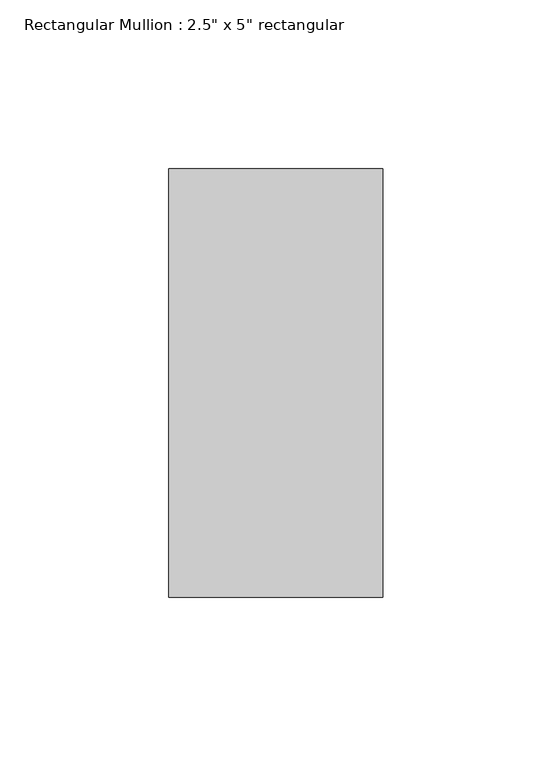
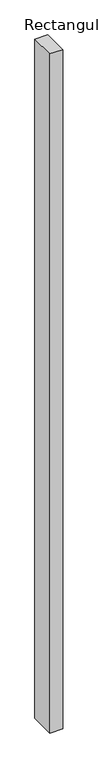
"""IFC4 building model written with IfcOpenShell, lengths in millimetres: member geometry."""

from ifc_helpers import new_model, si_unit, frame, origin, place, context, project, spatial, polyline, outline, extrude, source, transform, mapped, element, save


def member_2ce2e5c6(model_context):
    return source(origin(), model_context, "Body", "SweptSolid", [
        extrude(outline(polyline([(31.75, 63.5), (31.75, -63.5), (-31.75, -63.5), (-31.75, 63.5), (31.75, 63.5)])), frame((0.0, 0.0, -3530.6), z_axis=(0.0, 0.0, 1.0), x_axis=(1.0, 0.0, 0.0)), (0.0, 0.0, 1.0), 3530.6),
    ])


if __name__ == "__main__":
    model = new_model("IFC4")
    model_context = context("Model", 3, world=origin())
    ifc_project = project(units=[si_unit("LENGTHUNIT", "METRE", prefix="MILLI")], contexts=[model_context])
    site = spatial("IfcSite", under=ifc_project)
    building = spatial("IfcBuilding", under=site)
    placement = place(None, origin())
    member_shape = member_2ce2e5c6(model_context)
    element("IfcMember", 1, ObjectType="Rectangular Mullion : 2.5\" x 5\" rectangular", at=placement, inside=building, context=model_context, shape_type="MappedRepresentation", body=[
        mapped(member_shape, transform((0.0, 0.0, 0.0), x_axis=(1.0, 0.0, 0.0), y_axis=(0.0, 1.0, 0.0), z_axis=(0.0, 0.0, 1.0))),
    ])
    save(model, "model.ifc")
